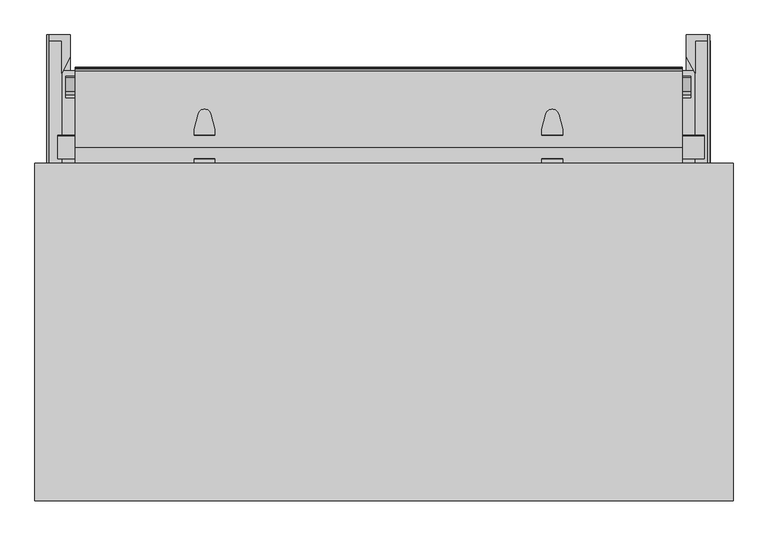
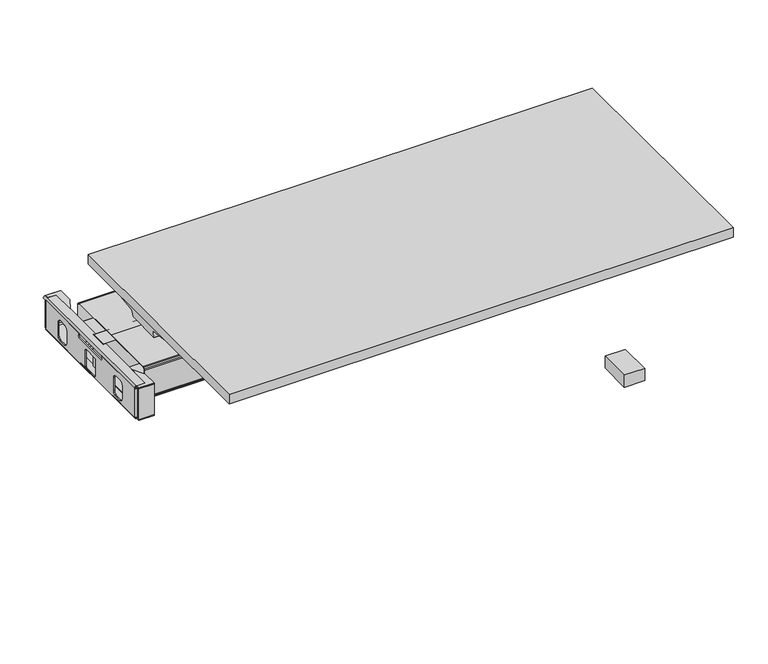
"""IFC4 building model written with IfcOpenShell, lengths in millimetres: furniture geometry."""

from ifc_helpers import new_model, si_unit, point, frame, frame_2d, origin, place, context, project, spatial, polyline, circle_curve, ellipse_curve, trimmed, segment, composite_curve, outline, extrude, faceted_brep, source, transform, mapped, element, save
from ifc_brep_helpers import plane_surface, cylinder_surface, revolved_surface, advanced_brep


def furniture_c11fd898(model_context):
    return source(origin(), model_context, "Body", "SolidModel", [
        extrude(outline(polyline([(-690.7147785, 557.0887375), (-690.7147785, 627.4425925), (-716.6329639, 627.4425925), (-716.6329639, 639.3704277), (-671.6647785, 639.3704277), (-671.6647785, 592.5319047), (-690.7147785, 557.0887375)])), frame((0.0, 0.0, 428.6948675), z_axis=(0.0, 0.0, 1.0), x_axis=(1.0, 0.0, 0.0)), (0.0, 0.0, 1.0), 2.6568509),
        extrude(outline(polyline([(-716.6329639, 158.9882127), (-716.6329639, 170.9160479), (-671.6647785, 170.9160479), (-671.6647785, 158.9882127), (-716.6329639, 158.9882127)])), frame((0.0, 0.0, 329.7517063), z_axis=(0.0, 0.0, 1.0), x_axis=(1.0, 0.0, 0.0)), (0.0, 0.0, 1.0), 2.6568509),
        extrude(outline(polyline([(-716.6329639, 158.9882127), (-716.6329639, 165.0842069), (-671.6647785, 165.0842069), (-671.6647785, 158.9882127), (-716.6329639, 158.9882127)])), frame((0.0, 0.0, 332.4085572), z_axis=(0.0, 0.0, 1.0), x_axis=(1.0, 0.0, 0.0)), (0.0, 0.0, 1.0), 96.2863103),
        extrude(outline(polyline([(-690.766129, 241.2699029), (-671.6647785, 205.8267357), (-671.6647785, 158.9882127), (-716.6329639, 158.9882127), (-716.6329639, 170.9160479), (-690.766129, 170.9160479), (-690.766129, 241.2699029)])), frame((0.0, 0.0, 428.6948675), z_axis=(0.0, 0.0, 1.0), x_axis=(1.0, 0.0, 0.0)), (0.0, 0.0, 1.0), 2.6568509),
        extrude(outline(composite_curve([segment(trimmed(circle_curve(frame_2d((-716.684237, 170.9160479)), 5.8318411), [point((-716.684237, 165.0842069))], [point((-722.5160781, 170.9160479))], False, "CARTESIAN"), True, "CONTINUOUS"), segment(polyline([(-722.5160781, 170.9160479), (-719.8593386, 170.9160479)]), True, "CONTINUOUS"), segment(trimmed(circle_curve(frame_2d((-716.6843029, 170.9160843)), 3.1750357), [point((-719.8593386, 170.9160479))], [point((-716.6144408, 167.7418174))], True, "CARTESIAN"), True, "CONTINUOUS"), segment(polyline([(-716.6144408, 167.7418174), (-671.6647785, 167.7418174), (-671.6647785, 165.0842069), (-716.684237, 165.0842069)]), True, "CONTINUOUS")], self_intersect=False)), frame((0.0, 0.0, 337.371699), z_axis=(0.0, 0.0, 1.0), x_axis=(1.0, 0.0, 0.0)), (0.0, 0.0, 1.0), 87.8941627),
        extrude(outline(polyline([(342.9173325, 425.2658616), (337.0354481, 421.6463878), (337.0354481, 416.1853839), (341.0613469, 412.1594669), (457.0505017, 412.1594669), (461.0764369, 416.1853839), (461.0764369, 421.6463878), (454.0472738, 425.9718869), (627.4425766, 425.9718869), (627.4425766, 333.9274688), (170.9160479, 333.9274688), (170.9160479, 425.2658616), (342.9173325, 425.2658616)]), holes=[polyline([(233.9635599, 355.1517184), (235.6650368, 348.8017063), (240.3135539, 344.1531891), (246.663566, 342.4517305), (265.713566, 342.4517305), (272.0635599, 344.1531891), (276.7120862, 348.8017063), (278.413563, 355.1517184), (278.413563, 393.2517184), (276.7120862, 399.6017305), (272.0635599, 404.2502476), (265.713566, 405.9517063), (246.663566, 405.9517063), (240.3135539, 404.2502476), (235.6650368, 399.6017305), (233.9635599, 393.2517184), (233.9635599, 355.1517184)]), polyline([(424.4559432, 341.1336423), (424.4559432, 392.426696), (423.9200452, 394.4267193), (422.4559432, 395.8908015), (420.4559432, 396.4267063), (377.6345424, 396.4267063), (375.6345441, 395.8908015), (374.1704415, 394.4267193), (373.6345435, 392.426696), (373.6345435, 341.1336423), (374.1704415, 339.1336554), (375.6345441, 337.6695369), (377.6345424, 337.1336321), (420.4559432, 337.1336321), (422.4559432, 337.6695369), (423.9200452, 339.1336554), (424.4559432, 341.1336423)]), polyline([(564.1483295, 355.1517184), (564.1483295, 393.2517184), (562.4468527, 399.6017305), (557.7983356, 404.2502476), (551.4483235, 405.9517063), (532.3983235, 405.9517063), (526.0483295, 404.2502476), (521.3998033, 399.6017305), (519.6983265, 393.2517184), (519.6983265, 355.1517184), (521.3998033, 348.8017063), (526.0483295, 344.1531891), (532.3983235, 342.4517305), (551.4483235, 342.4517305), (557.7983356, 344.1531891), (562.4468527, 348.8017063), (564.1483295, 355.1517184)])]), frame((-722.5160781, 0.0, 0.0), z_axis=(1.0, 0.0, 0.0), x_axis=(0.0, 1.0, 0.0)), (0.0, 0.0, 1.0), 2.6568146),
        extrude(outline(composite_curve([segment(trimmed(circle_curve(frame_2d((425.1720964, -716.3268352)), 6.1899531), [point((431.3517184, -716.6843144))], [point((425.2658616, -722.5160781))], False, "CARTESIAN"), True, "CONTINUOUS"), segment(polyline([(425.2658616, -722.5160781), (425.2658616, -719.8895529)]), True, "CONTINUOUS"), segment(trimmed(circle_curve(frame_2d((425.2452738, -716.4400206)), 3.4495937), [point((425.2658616, -719.8895529))], [point((428.6948675, -716.4400206))], True, "CARTESIAN"), True, "CONTINUOUS"), segment(polyline([(428.6948675, -716.4400206), (428.6948675, -690.766129), (431.3517184, -690.766129), (431.3517184, -716.6843144)]), True, "CONTINUOUS")], self_intersect=False)), frame((0.0, 170.9160479, 0.0), z_axis=(0.0, 1.0, 0.0), x_axis=(0.0, 0.0, 1.0)), (0.0, 0.0, 1.0), 468.4543798),
        extrude(outline(composite_curve([segment(polyline([(-716.6841619, 633.0328981), (-672.5648392, 633.0328981), (-672.5648392, 630.3752876), (-716.6143657, 630.3752876)]), True, "CONTINUOUS"), segment(trimmed(circle_curve(frame_2d((-716.6842278, 627.2010206)), 3.1750357), [point((-716.6143657, 630.3752876))], [point((-719.8592635, 627.2010571))], True, "CARTESIAN"), True, "CONTINUOUS"), segment(polyline([(-719.8592635, 627.2010571), (-722.5160029, 627.2010571)]), True, "CONTINUOUS"), segment(trimmed(circle_curve(frame_2d((-716.6841619, 627.2010571)), 5.8318411), [point((-722.5160029, 627.2010571))], [point((-716.6841619, 633.0328981))], False, "CARTESIAN"), True, "CONTINUOUS")], self_intersect=False)), frame((0.0, 0.0, 337.371699), z_axis=(0.0, 0.0, 1.0), x_axis=(1.0, 0.0, 0.0)), (0.0, 0.0, 1.0), 87.8941627),
        extrude(outline(composite_curve([segment(polyline([(335.5835451, -719.8592635), (335.5835451, -722.5160029)]), True, "CONTINUOUS"), segment(trimmed(circle_curve(frame_2d((335.5835451, -716.6841641)), 5.8318388), [point((335.5835451, -722.5160029))], [point((329.7517063, -716.6841641))], False, "CARTESIAN"), True, "CONTINUOUS"), segment(polyline([(329.7517063, -716.6841641), (329.7517063, -671.6647785), (332.4090868, -671.6647785), (332.4090868, -716.6263376)]), True, "CONTINUOUS"), segment(trimmed(circle_curve(frame_2d((335.5834916, -716.684329)), 3.1749345), [point((332.4090868, -716.6263376))], [point((335.5835451, -719.8592635))], True, "CARTESIAN"), True, "CONTINUOUS")], self_intersect=False)), frame((0.0, 170.9160479, 0.0), z_axis=(0.0, 1.0, 0.0), x_axis=(0.0, 0.0, 1.0)), (0.0, 0.0, 1.0), 456.2850092),
        extrude(outline(polyline([(683.813747, 562.6755316), (683.813747, 235.531324), (-694.0181082, 235.531324), (-694.0181082, 562.6755316), (683.813747, 562.6755316)])), frame((0.0, 0.0, 332.4090868), z_axis=(0.0, 0.0, 1.0), x_axis=(1.0, 0.0, 0.0)), (0.0, 0.0, 1.0), 1.518382),
        extrude(outline(polyline([(692.4505912, 639.3704277), (692.4505912, 633.2744336), (647.4824058, 633.2744336), (647.4824058, 639.3704277), (692.4505912, 639.3704277)])), frame((0.0, 0.0, 332.4085572), z_axis=(0.0, 0.0, 1.0), x_axis=(1.0, 0.0, 0.0)), (0.0, 0.0, 1.0), 96.2863103),
        extrude(outline(polyline([(692.4505912, 639.3704277), (692.4505912, 627.2010571), (647.4824058, 627.2010571), (647.4824058, 639.3704277), (692.4505912, 639.3704277)])), frame((0.0, 0.0, 329.7517063), z_axis=(0.0, 0.0, 1.0), x_axis=(1.0, 0.0, 0.0)), (0.0, 0.0, 1.0), 2.6568509),
        extrude(outline(polyline([(666.5324058, 557.0887375), (647.4824058, 592.5319047), (647.4824058, 639.3704277), (692.4505912, 639.3704277), (692.4505912, 627.4425925), (666.5324058, 627.4425925), (666.5324058, 557.0887375)])), frame((0.0, 0.0, 428.6948675), z_axis=(0.0, 0.0, 1.0), x_axis=(1.0, 0.0, 0.0)), (0.0, 0.0, 1.0), 2.6568509),
        extrude(outline(polyline([(692.4505912, 170.9160479), (692.4505912, 158.9882127), (647.4824058, 158.9882127), (647.4824058, 170.9160479), (692.4505912, 170.9160479)])), frame((0.0, 0.0, 329.7517063), z_axis=(0.0, 0.0, 1.0), x_axis=(1.0, 0.0, 0.0)), (0.0, 0.0, 1.0), 2.6568509),
        extrude(outline(polyline([(692.4505912, 165.0842069), (692.4505912, 158.9882127), (647.4824058, 158.9882127), (647.4824058, 165.0842069), (692.4505912, 165.0842069)])), frame((0.0, 0.0, 332.4085572), z_axis=(0.0, 0.0, 1.0), x_axis=(1.0, 0.0, 0.0)), (0.0, 0.0, 1.0), 96.2863103),
        extrude(outline(polyline([(666.5324058, 241.2699029), (666.5324058, 170.9160479), (692.4505912, 170.9160479), (692.4505912, 158.9882127), (647.4824058, 158.9882127), (647.4824058, 205.8267357), (666.5324058, 241.2699029)])), frame((0.0, 0.0, 428.6948675), z_axis=(0.0, 0.0, 1.0), x_axis=(1.0, 0.0, 0.0)), (0.0, 0.0, 1.0), 2.6568509),
        extrude(outline(composite_curve([segment(polyline([(692.5018643, 165.0842069), (647.4824058, 165.0842069), (647.4824058, 167.7418174), (692.4320682, 167.7418174)]), True, "CONTINUOUS"), segment(trimmed(circle_curve(frame_2d((692.5019303, 170.9160843)), 3.1750357), [point((692.4320682, 167.7418174))], [point((695.676966, 170.9160479))], True, "CARTESIAN"), True, "CONTINUOUS"), segment(polyline([(695.676966, 170.9160479), (698.3337054, 170.9160479)]), True, "CONTINUOUS"), segment(trimmed(circle_curve(frame_2d((692.5018643, 170.9160479)), 5.8318411), [point((698.3337054, 170.9160479))], [point((692.5018643, 165.0842069))], False, "CARTESIAN"), True, "CONTINUOUS")], self_intersect=False)), frame((0.0, 0.0, 337.371699), z_axis=(0.0, 0.0, 1.0), x_axis=(1.0, 0.0, 0.0)), (0.0, 0.0, 1.0), 87.8941627),
        extrude(outline(polyline([(342.9173325, 425.2658616), (337.0354481, 421.6463878), (337.0354481, 416.1853839), (341.0613469, 412.1594669), (457.0505017, 412.1594669), (461.0764369, 416.1853839), (461.0764369, 421.6463878), (454.0472738, 425.9718869), (627.4425766, 425.9718869), (627.4425766, 333.9274688), (170.9160479, 333.9274688), (170.9160479, 425.2658616), (342.9173325, 425.2658616)]), holes=[polyline([(233.9635599, 355.1517184), (235.6650368, 348.8017063), (240.3135539, 344.1531891), (246.663566, 342.4517305), (265.713566, 342.4517305), (272.0635599, 344.1531891), (276.7120862, 348.8017063), (278.413563, 355.1517184), (278.413563, 393.2517184), (276.7120862, 399.6017305), (272.0635599, 404.2502476), (265.713566, 405.9517063), (246.663566, 405.9517063), (240.3135539, 404.2502476), (235.6650368, 399.6017305), (233.9635599, 393.2517184), (233.9635599, 355.1517184)]), polyline([(424.4559432, 341.1336423), (424.4559432, 392.426696), (423.9200452, 394.4267193), (422.4559432, 395.8908015), (420.4559432, 396.4267063), (377.6345424, 396.4267063), (375.6345441, 395.8908015), (374.1704415, 394.4267193), (373.6345435, 392.426696), (373.6345435, 341.1336423), (374.1704415, 339.1336554), (375.6345441, 337.6695369), (377.6345424, 337.1336321), (420.4559432, 337.1336321), (422.4559432, 337.6695369), (423.9200452, 339.1336554), (424.4559432, 341.1336423)]), polyline([(564.1483295, 355.1517184), (564.1483295, 393.2517184), (562.4468527, 399.6017305), (557.7983356, 404.2502476), (551.4483235, 405.9517063), (532.3983235, 405.9517063), (526.0483295, 404.2502476), (521.3998033, 399.6017305), (519.6983265, 393.2517184), (519.6983265, 355.1517184), (521.3998033, 348.8017063), (526.0483295, 344.1531891), (532.3983235, 342.4517305), (551.4483235, 342.4517305), (557.7983356, 344.1531891), (562.4468527, 348.8017063), (564.1483295, 355.1517184)])]), frame((692.4505912, 0.0, 0.0), z_axis=(1.0, 0.0, 0.0), x_axis=(0.0, 1.0, 0.0)), (0.0, 0.0, 1.0), 3.2262996),
        faceted_brep([(638.3400259, 227.963817, 425.8310036), (638.3400259, 227.963817, 340.2751793), (638.3400259, 227.963817, 338.091367), (638.3400259, 228.9762009, 334.3130557), (638.3400259, 231.7467258, 331.542549), (638.3400259, 235.531324, 330.5284757), (638.3400259, 398.8377457, 330.5284757), (638.3400259, 562.8273164, 330.5284757), (638.3400259, 566.6119146, 331.542549), (638.3400259, 569.3824396, 334.3130557), (638.3400259, 570.3948234, 338.091367), (638.3400259, 570.3948234, 340.2751793), (638.3400259, 570.3948234, 425.8310036), (638.3400259, 569.4215919, 429.4631947), (638.3400259, 566.6102252, 432.3861267), (638.3400259, 562.825627, 433.4002), (638.3400259, 397.785447, 433.4002), (638.3400259, 235.5330134, 433.4002), (638.3400259, 231.7484152, 432.3861267), (638.3400259, 228.9370485, 429.4631947), (638.3400259, 235.5330134, 432.1810157), (638.3400259, 396.9389352, 432.1810157), (638.3400259, 562.825627, 432.1810157), (638.3400259, 566.000633, 431.3302682), (638.3400259, 568.3248916, 429.0059915), (638.3400259, 569.1756391, 425.8310036), (638.3400259, 569.1756391, 340.2751793), (638.3400259, 569.1756391, 338.0914349), (638.3400259, 568.326581, 334.9226842), (638.3400259, 566.0023225, 332.5984075), (638.3400259, 562.8273164, 331.74766), (638.3400259, 397.7786116, 331.74766), (638.3400259, 235.531324, 331.74766), (638.3400259, 232.3563179, 332.5984075), (638.3400259, 230.0320594, 334.9226842), (638.3400259, 229.1830013, 338.0914349), (638.3400259, 229.1830013, 340.2751793), (638.3400259, 229.1830013, 425.8310036), (638.3400259, 230.0337488, 429.0059915), (638.3400259, 232.3580074, 431.3302682), (-660.9408985, 227.963817, 425.8310036), (-660.9408985, 228.9370485, 429.4631947), (-660.9408985, 231.7484152, 432.3861267), (-660.9408985, 235.5330134, 433.4002), (-660.9408985, 397.785447, 433.4002), (-660.9408985, 562.825627, 433.4002), (-660.9408985, 566.6102252, 432.3861267), (-660.9408985, 569.4215919, 429.4631947), (-660.9408985, 570.3948234, 425.8310036), (-660.9408985, 570.3948234, 340.2751793), (-660.9408985, 570.3948234, 338.091367), (-660.9408985, 569.3824396, 334.3130557), (-660.9408985, 566.6119146, 331.542549), (-660.9408985, 562.8273164, 330.5284757), (-660.9408985, 398.8377457, 330.5284757), (-660.9408985, 235.531324, 330.5284757), (-660.9408985, 231.7467258, 331.542549), (-660.9408985, 228.9762009, 334.3130557), (-660.9408985, 227.963817, 338.091367), (-660.9408985, 227.963817, 340.2751793), (-660.9408985, 235.5330134, 432.1810157), (-660.9408985, 232.3580074, 431.3302682), (-660.9408985, 230.0337488, 429.0059915), (-660.9408985, 229.1830013, 425.8310036), (-660.9408985, 229.1830013, 340.2751793), (-660.9408985, 229.1830013, 338.0914349), (-660.9408985, 230.0320594, 334.9226842), (-660.9408985, 232.3563179, 332.5984075), (-660.9408985, 235.531324, 331.74766), (-660.9408985, 397.7786116, 331.74766), (-660.9408985, 562.8273164, 331.74766), (-660.9408985, 566.0023225, 332.5984075), (-660.9408985, 568.326581, 334.9226842), (-660.9408985, 569.1756391, 338.0914349), (-660.9408985, 569.1756391, 340.2751793), (-660.9408985, 569.1756391, 425.8310036), (-660.9408985, 568.3248916, 429.0059915), (-660.9408985, 566.000633, 431.3302682), (-660.9408985, 562.825627, 432.1810157), (-660.9408985, 396.9389352, 432.1810157), (-406.7047758, 360.9565261, 432.1810157), (-398.0451218, 328.5218157, 432.1810157), (-395.6303984, 323.3434246, 432.1810157), (-391.1899754, 319.7476409, 432.1810157), (-385.6226676, 318.4623267, 432.1810157), (-383.336917, 318.4623267, 432.1810157), (-377.7696093, 319.7476409, 432.1810157), (-373.3291863, 323.3434246, 432.1810157), (-370.9144421, 328.5218604, 432.1810157), (-362.2548, 360.9565261, 432.1810157), (-362.2548, 373.6565253, 432.1810157), (-406.7047758, 373.6565253, 432.1810157), (382.4587307, 360.9565261, 432.1810157), (382.4587307, 373.6565253, 432.1810157), (338.0087549, 373.6565253, 432.1810157), (338.0087549, 360.9565261, 432.1810157), (346.668397, 328.5218604, 432.1810157), (349.0831412, 323.3434246, 432.1810157), (353.5235642, 319.7476409, 432.1810157), (359.090872, 318.4623267, 432.1810157), (361.3766226, 318.4623267, 432.1810157), (366.9439303, 319.7476409, 432.1810157), (371.3843533, 323.3434246, 432.1810157), (373.7990767, 328.5218157, 432.1810157), (-398.0451218, 328.5218157, 433.4002), (-406.7047758, 360.9565261, 433.4002), (-406.7047758, 373.6565253, 433.4002), (-362.2548, 373.6565253, 433.4002), (-362.2548, 360.9565261, 433.4002), (-370.9144421, 328.5218604, 433.4002), (-373.3291863, 323.3434246, 433.4002), (-377.7696093, 319.7476409, 433.4002), (-383.336917, 318.4623267, 433.4002), (-385.6226676, 318.4623267, 433.4002), (-391.1899754, 319.7476409, 433.4002), (-395.6303984, 323.3434246, 433.4002), (382.4587307, 373.6565253, 433.4002), (382.4587307, 360.9565261, 433.4002), (373.7990767, 328.5218157, 433.4002), (371.3843533, 323.3434246, 433.4002), (366.9439303, 319.7476409, 433.4002), (361.3766226, 318.4623267, 433.4002), (359.090872, 318.4623267, 433.4002), (353.5235642, 319.7476409, 433.4002), (349.0831412, 323.3434246, 433.4002), (346.668397, 328.5218604, 433.4002), (338.0087549, 360.9565261, 433.4002), (338.0087549, 373.6565253, 433.4002), (-406.7047758, 424.7021151, 433.4002), (-406.7047758, 437.4021143, 433.4002), (-398.0451218, 469.8368247, 433.4002), (-395.6303984, 475.0152158, 433.4002), (-391.1899754, 478.6109995, 433.4002), (-385.6226676, 479.8963137, 433.4002), (-383.336917, 479.8963137, 433.4002), (-377.7696093, 478.6109995, 433.4002), (-373.3291863, 475.0152158, 433.4002), (-370.9144421, 469.83678, 433.4002), (-362.2548, 437.4021143, 433.4002), (-362.2548, 424.7021151, 433.4002), (373.7990767, 469.8368247, 433.4002), (382.4587307, 437.4021143, 433.4002), (382.4587307, 424.7021151, 433.4002), (338.0087549, 424.7021151, 433.4002), (338.0087549, 437.4021143, 433.4002), (346.668397, 469.83678, 433.4002), (349.0831412, 475.0152158, 433.4002), (353.5235642, 478.6109995, 433.4002), (359.090872, 479.8963137, 433.4002), (361.3766226, 479.8963137, 433.4002), (366.9439303, 478.6109995, 433.4002), (371.3843533, 475.0152158, 433.4002), (-406.7047758, 437.4021143, 432.1810157), (-406.7047758, 424.7021151, 432.1810157), (-362.2548, 424.7021151, 432.1810157), (-362.2548, 437.4021143, 432.1810157), (-370.9144421, 469.83678, 432.1810157), (-373.3291863, 475.0152158, 432.1810157), (-377.7696093, 478.6109995, 432.1810157), (-383.336917, 479.8963137, 432.1810157), (-385.6226676, 479.8963137, 432.1810157), (-391.1899754, 478.6109995, 432.1810157), (-395.6303984, 475.0152158, 432.1810157), (-398.0451218, 469.8368247, 432.1810157), (382.4587307, 437.4021143, 432.1810157), (373.7990767, 469.8368247, 432.1810157), (371.3843533, 475.0152158, 432.1810157), (366.9439303, 478.6109995, 432.1810157), (361.3766226, 479.8963137, 432.1810157), (359.090872, 479.8963137, 432.1810157), (353.5235642, 478.6109995, 432.1810157), (349.0831412, 475.0152158, 432.1810157), (346.668397, 469.83678, 432.1810157), (338.0087549, 437.4021143, 432.1810157), (338.0087549, 424.7021151, 432.1810157), (382.4587307, 424.7021151, 432.1810157)], [[[0, 1, 2, 3, 4, 5, 6, 7, 8, 9, 10, 11, 12, 13, 14, 15, 16, 17, 18, 19], [20, 21, 22, 23, 24, 25, 26, 27, 28, 29, 30, 31, 32, 33, 34, 35, 36, 37, 38, 39]], [[40, 41, 42, 43, 44, 45, 46, 47, 48, 49, 50, 51, 52, 53, 54, 55, 56, 57, 58, 59], [60, 61, 62, 63, 64, 65, 66, 67, 68, 69, 70, 71, 72, 73, 74, 75, 76, 77, 78, 79]], [[37, 36, 64, 63]], [[38, 37, 63, 62]], [[39, 38, 62, 61]], [[20, 39, 61, 60]], [[21, 20, 60, 79], [80, 81, 82, 83, 84, 85, 86, 87, 88, 89, 90, 91], [92, 93, 94, 95, 96, 97, 98, 99, 100, 101, 102, 103]], [[17, 16, 44, 43], [104, 105, 106, 107, 108, 109, 110, 111, 112, 113, 114, 115], [116, 117, 118, 119, 120, 121, 122, 123, 124, 125, 126, 127]], [[18, 17, 43, 42]], [[19, 18, 42, 41]], [[0, 19, 41, 40]], [[1, 0, 40, 59]], [[2, 1, 59, 58]], [[3, 2, 58, 57]], [[4, 3, 57, 56]], [[5, 4, 56, 55]], [[6, 5, 55, 54]], [[7, 6, 54, 53]], [[8, 7, 53, 52]], [[9, 8, 52, 51]], [[10, 9, 51, 50]], [[11, 10, 50, 49]], [[12, 11, 49, 48]], [[13, 12, 48, 47]], [[14, 13, 47, 46]], [[15, 14, 46, 45]], [[16, 15, 45, 44], [128, 129, 130, 131, 132, 133, 134, 135, 136, 137, 138, 139], [140, 141, 142, 143, 144, 145, 146, 147, 148, 149, 150, 151]], [[22, 21, 79, 78], [152, 153, 154, 155, 156, 157, 158, 159, 160, 161, 162, 163], [164, 165, 166, 167, 168, 169, 170, 171, 172, 173, 174, 175]], [[23, 22, 78, 77]], [[24, 23, 77, 76]], [[25, 24, 76, 75]], [[26, 25, 75, 74]], [[27, 26, 74, 73]], [[28, 27, 73, 72]], [[29, 28, 72, 71]], [[30, 29, 71, 70]], [[31, 30, 70, 69]], [[32, 31, 69, 68]], [[33, 32, 68, 67]], [[34, 33, 67, 66]], [[35, 34, 66, 65]], [[36, 35, 65, 64]], [[80, 105, 104, 81]], [[81, 104, 115, 82]], [[82, 115, 114, 83]], [[83, 114, 113, 84]], [[84, 113, 112, 85]], [[85, 112, 111, 86]], [[86, 111, 110, 87]], [[87, 110, 109, 88]], [[88, 109, 108, 89]], [[89, 108, 107, 90]], [[90, 107, 106, 91]], [[105, 80, 91, 106]], [[92, 117, 116, 93]], [[93, 116, 127, 94]], [[94, 127, 126, 95]], [[95, 126, 125, 96]], [[96, 125, 124, 97]], [[97, 124, 123, 98]], [[98, 123, 122, 99]], [[99, 122, 121, 100]], [[100, 121, 120, 101]], [[101, 120, 119, 102]], [[102, 119, 118, 103]], [[117, 92, 103, 118]], [[152, 129, 128, 153]], [[153, 128, 139, 154]], [[154, 139, 138, 155]], [[155, 138, 137, 156]], [[156, 137, 136, 157]], [[157, 136, 135, 158]], [[158, 135, 134, 159]], [[159, 134, 133, 160]], [[160, 133, 132, 161]], [[161, 132, 131, 162]], [[162, 131, 130, 163]], [[129, 152, 163, 130]], [[164, 141, 140, 165]], [[165, 140, 151, 166]], [[166, 151, 150, 167]], [[167, 150, 149, 168]], [[168, 149, 148, 169]], [[169, 148, 147, 170]], [[170, 147, 146, 171]], [[171, 146, 145, 172]], [[172, 145, 144, 173]], [[173, 144, 143, 174]], [[174, 143, 142, 175]], [[141, 164, 175, 142]]]),
        extrude(outline(composite_curve([segment(trimmed(circle_curve(frame_2d((422.8428694, 431.8444538)), 1.5557462), [point((422.8428694, 433.4002))], [point((424.3986156, 431.8444538))], False, "CARTESIAN"), True, "CONTINUOUS"), segment(polyline([(424.3986156, 431.8444538), (424.3986156, 333.9274688), (374.3606156, 333.9274688), (374.3606156, 433.4002), (422.8428694, 433.4002)]), True, "CONTINUOUS")], self_intersect=False)), frame((-698.3783882, 0.0, 0.0), z_axis=(1.0, 0.0, 0.0), x_axis=(0.0, 1.0, 0.0)), (0.0, 0.0, 1.0), 1384.4789923),
        extrude(outline(composite_curve([segment(polyline([(431.3517184, 692.4505912), (431.3517184, 666.5324058), (428.6948675, 666.5324058), (428.6948675, 692.2062975)]), True, "CONTINUOUS"), segment(trimmed(circle_curve(frame_2d((425.2452738, 692.2062975)), 3.4495937), [point((428.6948675, 692.2062975))], [point((425.2658616, 695.6558297))], True, "CARTESIAN"), True, "CONTINUOUS"), segment(polyline([(425.2658616, 695.6558297), (425.2658616, 698.2823549)]), True, "CONTINUOUS"), segment(trimmed(circle_curve(frame_2d((425.1720964, 692.093112)), 6.1899531), [point((425.2658616, 698.2823549))], [point((431.3517184, 692.4505912))], False, "CARTESIAN"), True, "CONTINUOUS")], self_intersect=False)), frame((0.0, 170.9160479, 0.0), z_axis=(0.0, 1.0, 0.0), x_axis=(0.0, 0.0, 1.0)), (0.0, 0.0, 1.0), 468.4543798),
        extrude(outline(composite_curve([segment(trimmed(circle_curve(frame_2d((691.6017284, 627.2010571)), 5.8318411), [point((691.6017284, 633.0328981))], [point((697.4335695, 627.2010571))], False, "CARTESIAN"), True, "CONTINUOUS"), segment(polyline([(697.4335695, 627.2010571), (694.7768301, 627.2010571)]), True, "CONTINUOUS"), segment(trimmed(circle_curve(frame_2d((691.6017944, 627.2010206)), 3.1750357), [point((694.7768301, 627.2010571))], [point((691.5319323, 630.3752876))], True, "CARTESIAN"), True, "CONTINUOUS"), segment(polyline([(691.5319323, 630.3752876), (647.4824058, 630.3752876), (647.4824058, 633.0328981), (691.6017284, 633.0328981)]), True, "CONTINUOUS")], self_intersect=False)), frame((0.0, 0.0, 337.371699), z_axis=(0.0, 0.0, 1.0), x_axis=(1.0, 0.0, 0.0)), (0.0, 0.0, 1.0), 87.8941627),
        extrude(outline(composite_curve([segment(trimmed(circle_curve(frame_2d((335.5834916, 692.5019564)), 3.1749345), [point((335.5835451, 695.6768908))], [point((332.4090868, 692.443965))], True, "CARTESIAN"), True, "CONTINUOUS"), segment(polyline([(332.4090868, 692.443965), (332.4090868, 647.4824058), (329.7517063, 647.4824058), (329.7517063, 692.5017915)]), True, "CONTINUOUS"), segment(trimmed(circle_curve(frame_2d((335.5835451, 692.5017915)), 5.8318388), [point((329.7517063, 692.5017915))], [point((335.5835451, 698.3336303))], False, "CARTESIAN"), True, "CONTINUOUS"), segment(polyline([(335.5835451, 698.3336303), (335.5835451, 695.6768908)]), True, "CONTINUOUS")], self_intersect=False)), frame((0.0, 170.9160479, 0.0), z_axis=(0.0, 1.0, 0.0), x_axis=(0.0, 0.0, 1.0)), (0.0, 0.0, 1.0), 456.2850092),
        extrude(outline(polyline([(247.9512827, 383.2085327), (249.1812376, 384.0998213), (279.7035642, 341.9798116), (286.6253346, 336.0569173), (295.8489895, 333.9274688), (417.8747239, 333.9274688), (502.5096509, 333.9274688), (511.7333058, 336.0569173), (518.6550762, 341.9798116), (549.1774028, 384.0998213), (550.4073577, 383.2085327), (519.8850248, 341.0885143), (512.423716, 334.7039476), (502.7693005, 332.4750501), (402.1125576, 332.4750501), (295.5893399, 332.4750501), (285.9349244, 334.7039476), (278.4736156, 341.0885143), (247.9512827, 383.2085327)])), frame((-681.3524342, 0.0, 0.0), z_axis=(1.0, 0.0, 0.0), x_axis=(0.0, 1.0, 0.0)), (0.0, 0.0, 1.0), 1338.4018538),
        advanced_brep(
        [(696.976, 127.2221653, 10.2361894), (696.976, 141.2419153, 10.2361894), (696.976, 140.8547401, 8.7946116), (696.976, 127.6093405, 8.7946116), (696.976, 134.2320403, 10.2361894), (696.976, 113.2751519, 0.0), (696.976, 155.1889286, 0.0), (696.976, 134.2320403, 0.0), (696.976, 111.7314216, 1.5436985), (696.976, 156.732659, 1.5436985), (696.976, 111.7314763, 4.1072626), (696.976, 156.7326043, 4.1072626), (696.976, 113.2713167, 5.9174378), (696.976, 155.1927639, 5.9174378)],
        [
            (0, 1, circle_curve(frame((696.976, 134.2320403, 10.2361894), z_axis=(0.0, 0.0, -1.0), x_axis=(0.0, 1.0, 0.0)), 7.009875)),
            (1, 2),
            (2, 3, circle_curve(frame((696.976, 134.2320403, 8.7946116), z_axis=(0.0, 0.0, 1.0), x_axis=(0.0, 1.0, 0.0)), 6.6226998)),
            (3, 0),
            (1, 0, circle_curve(frame((696.976, 134.2320403, 10.2361894), z_axis=(0.0, 0.0, -1.0), x_axis=(0.0, 1.0, 0.0)), 7.009875)),
            (3, 2, circle_curve(frame((696.976, 134.2320403, 8.7946116), z_axis=(0.0, 0.0, 1.0), x_axis=(0.0, 1.0, 0.0)), 6.6226998)),
            (4, 1),
            (0, 4),
            (5, 6, circle_curve(frame((696.976, 134.2320403, 0.0), z_axis=(0.0, 0.0, -1.0), x_axis=(0.0, 1.0, 0.0)), 20.9568884)),
            (6, 7),
            (7, 5),
            (6, 5, circle_curve(frame((696.976, 134.2320403, 0.0), z_axis=(0.0, 0.0, -1.0), x_axis=(0.0, 1.0, 0.0)), 20.9568884)),
            (8, 9, circle_curve(frame((696.976, 134.2320403, 1.5436985), z_axis=(0.0, 0.0, -1.0), x_axis=(0.0, 1.0, 0.0)), 22.5006187)),
            (9, 6),
            (5, 8),
            (9, 8, circle_curve(frame((696.976, 134.2320403, 1.5436985), z_axis=(0.0, 0.0, -1.0), x_axis=(0.0, 1.0, 0.0)), 22.5006187)),
            (10, 11, circle_curve(frame((696.976, 134.2320403, 4.1072626), z_axis=(0.0, 0.0, -1.0), x_axis=(0.0, 1.0, 0.0)), 22.500564)),
            (11, 9),
            (8, 10),
            (11, 10, circle_curve(frame((696.976, 134.2320403, 4.1072626), z_axis=(0.0, 0.0, -1.0), x_axis=(0.0, 1.0, 0.0)), 22.500564)),
            (12, 13, circle_curve(frame((696.976, 134.2320403, 5.9174378), z_axis=(0.0, 0.0, -1.0), x_axis=(0.0, 1.0, 0.0)), 20.9607236)),
            (13, 11),
            (10, 12),
            (13, 12, circle_curve(frame((696.976, 134.2320403, 5.9174378), z_axis=(0.0, 0.0, -1.0), x_axis=(0.0, 1.0, 0.0)), 20.9607236)),
            (2, 13),
            (12, 3),
        ],
        [
            revolved_surface(polyline([(696.976, 140.8547401, 8.7946116), (696.976, 141.2419153, 10.2361894)]), (696.976, 134.2320403, 0.0), (0.0, 0.0, 1.0)),
            plane_surface(frame((696.976, 134.2320403, 10.2361894), z_axis=(0.0, 0.0, 1.0), x_axis=(0.0, 1.0, 0.0))),
            plane_surface(frame((696.976, 134.2320403, 0.0), z_axis=(0.0, 0.0, -1.0), x_axis=(0.0, 1.0, 0.0))),
            revolved_surface(polyline([(696.976, 155.1889286, 0.0), (696.976, 156.732659, 1.5436985)]), (696.976, 134.2320403, 0.0), (0.0, 0.0, 1.0)),
            cylinder_surface(frame((696.976, 134.2320403, 0.0), z_axis=(0.0, 0.0, 1.0), x_axis=(0.0, 1.0, 0.0)), 22.500564),
            revolved_surface(polyline([(696.976, 156.7327498, 4.1072626), (696.976, 155.1927639, 5.9174378)]), (696.976, 134.2320403, 0.0), (0.0, 0.0, 1.0)),
            revolved_surface(polyline([(696.976, 155.1927639, 5.9174378), (696.976, 140.8547401, 8.7946116)]), (696.976, 134.2320403, 0.0), (0.0, 0.0, 1.0)),
        ],
        [
            (0, [[1, 2, 3, 4]]),
            (0, [[5, -4, 6, -2]]),
            (1, [[7, -1, 8]]),
            (1, [[-8, -5, -7]]),
            (2, [[9, 10, 11]]),
            (2, [[12, -11, -10]]),
            (3, [[13, 14, -9, 15]]),
            (3, [[16, -15, -12, -14]]),
            (4, [[17, 18, -13, 19]]),
            (4, [[20, -19, -16, -18]]),
            (5, [[21, 22, -17, 23]]),
            (5, [[24, -23, -20, -22]]),
            (6, [[-3, 25, -21, 26]]),
            (6, [[-6, -26, -24, -25]]),
        ],
    ),
        extrude(outline(polyline([(667.0675, 59.6052169), (667.0675, 158.9882127), (726.8845, 158.9882127), (726.8845, 59.6052169), (667.0675, 59.6052169)])), frame((0.0, 0.0, 10.2361894), z_axis=(0.0, 0.0, 1.0), x_axis=(1.0, 0.0, 0.0)), (0.0, 0.0, 1.0), 37.8638679),
        faceted_brep([(-551.2773962, 55.272954, 622.0870648), (-551.2773962, 50.1740464, 622.688627), (-551.2773962, 45.3456348, 624.4650084), (-551.2773962, 41.0496397, 627.3308218), (-551.2773962, 37.5298328, 631.1414904), (-551.2773962, 12.4262052, 665.7838526), (-551.2773962, 13.1647048, 666.3190068), (-551.2773962, 38.2683233, 631.6766321), (-551.2773962, 41.6416276, 628.0245295), (-551.2773962, 45.7588181, 625.2780401), (-551.2773962, 50.386261, 623.5755641), (-551.2773962, 55.272954, 622.9990731), (-551.2773962, 204.7515752, 622.9990731), (-551.2773962, 209.6382319, 623.5755641), (-551.2773962, 214.2656929, 625.2780401), (-551.2773962, 218.3829016, 628.0245295), (-551.2773962, 221.756215, 631.6766321), (-551.2773962, 246.9223387, 666.4052536), (-551.2773962, 269.6159703, 703.1651011), (-551.2773962, 270.6848248, 703.1651011), (-551.2773962, 247.6608202, 665.8701118), (-551.2773962, 222.4946964, 631.1414904), (-551.2773962, 218.9748804, 627.3308218), (-551.2773962, 214.6788853, 624.4650084), (-551.2773962, 209.8504555, 622.6885906), (-551.2773962, 204.7515752, 622.0870648), (551.4619573, 55.272954, 622.0870648), (551.4619573, 204.7515752, 622.0870648), (551.4619573, 209.8504555, 622.6885906), (551.4619573, 214.6788853, 624.4650084), (551.4619573, 218.9748804, 627.3308218), (551.4619573, 222.4946964, 631.1414904), (551.4619573, 247.6608202, 665.8701118), (551.4619573, 271.4411354, 704.390196), (551.4619573, 270.3722807, 704.390196), (551.4619573, 246.9223387, 666.4052536), (551.4619573, 221.756215, 631.6766321), (551.4619573, 218.3829016, 628.0245295), (551.4619573, 214.2656929, 625.2780401), (551.4619573, 209.6382319, 623.5755641), (551.4619573, 204.7515752, 622.9990731), (551.4619573, 55.272954, 622.9990731), (551.4619573, 50.386261, 623.5755641), (551.4619573, 45.7588181, 625.2780401), (551.4619573, 41.6416276, 628.0245295), (551.4619573, 38.2683233, 631.6766321), (551.4619573, 13.1647048, 666.3190068), (551.4619573, 12.4262052, 665.7838526), (551.4619573, 37.5298328, 631.1414904), (551.4619573, 41.0496397, 627.3308218), (551.4619573, 45.3456348, 624.4650084), (551.4619573, 50.1740464, 622.688627), (482.0287306, 246.9854259, 666.4923122), (481.1019992, 246.9223387, 666.4052536), (477.6673689, 246.6885267, 666.0825989), (97.8762341, 246.6885267, 666.0825989), (84.3911169, 246.0969944, 665.266299), (80.6274527, 244.9165407, 663.6373024), (76.7784871, 243.0630012, 661.0794643), (66.2573996, 227.6864037, 639.8601442), (62.408434, 225.8328643, 637.3023062), (58.0170596, 224.4555851, 635.4016954), (53.2522341, 223.6074373, 634.2312727), (48.2969407, 223.3210703, 633.8360933), (-54.4117723, 223.3210703, 633.8360933), (-59.3670657, 223.6074373, 634.2312727), (-64.1319638, 224.4555851, 635.4016954), (-68.5232656, 225.8328643, 637.3023062), (-72.3723039, 227.6864037, 639.8601442), (-82.8933187, 243.0630012, 661.0794643), (-86.742357, 244.9165407, 663.6373024), (-92.3919689, 246.6885267, 666.0825989), (-480.5231429, 246.6885267, 666.0825989), (-483.9577733, 246.9223387, 666.4052536), (-484.8845046, 246.9854259, 666.4923122), (-489.0142671, 247.7214779, 667.699724), (-492.6928943, 248.9196708, 669.6405939), (-495.725122, 250.5070924, 672.2119486), (-515.9901641, 267.8415142, 700.2907822), (-518.011625, 268.8997803, 702.0049944), (-520.4640916, 269.6986055, 703.2989561), (-523.2172666, 270.1955495, 704.1039215), (-526.1248653, 270.3641435, 704.3770153), (523.2690912, 266.4439815, 698.0270153), (520.3614926, 266.2753875, 697.7539215), (517.6083176, 269.6986055, 703.2989561), (515.155851, 268.8997803, 702.0049944), (513.1343901, 267.8415142, 700.2907822), (492.869348, 254.4272545, 678.5619486), (489.8371203, 248.9196708, 669.6405939), (486.1584931, 247.7214779, 667.699724), (-526.1248653, 271.4329982, 704.3770153), (-523.2172666, 271.2644042, 704.1039215), (-520.4640916, 270.76746, 703.2989561), (-518.011625, 269.9686348, 702.0049944), (-515.9901641, 268.9103685, 700.2907822), (-495.725122, 251.5759434, 672.2119486), (-492.6928943, 249.9885215, 669.6405939), (-489.0142671, 248.7903285, 667.699724), (-484.8845046, 248.0449347, 666.4923122), (-480.5231429, 247.7919987, 666.0825989), (-92.3919689, 247.7919987, 666.0825989), (-91.9010389, 247.6608202, 665.8701118), (94.365989, 247.6608202, 665.8701118), (97.8762341, 247.7919987, 666.0825989), (477.6673689, 247.7919987, 666.0825989), (482.0287306, 248.0449347, 666.4923122), (486.1584931, 248.7903285, 667.699724), (489.8371203, 249.9885215, 669.6405939), (492.869348, 255.4961062, 678.5619486), (513.1343901, 268.9103685, 700.2907822), (515.155851, 269.9686348, 702.0049944), (517.6083176, 270.76746, 703.2989561), (520.3614926, 267.3442414, 697.7539215), (523.2690912, 267.5128354, 698.0270153), (-86.742357, 246.042813, 663.6373024), (-82.8933187, 244.1892736, 661.0794643), (-72.3723039, 228.812676, 639.8601442), (-68.5232656, 226.9591366, 637.3023062), (-64.1319638, 225.5818575, 635.4016954), (-59.3670657, 224.7337097, 634.2312727), (-54.4117723, 224.4473427, 633.8360933), (48.2969407, 224.4473427, 633.8360933), (53.2522341, 224.7337097, 634.2312727), (58.0170596, 225.5818575, 635.4016954), (62.408434, 226.9591366, 637.3023062), (66.2573996, 228.812676, 639.8601442), (76.7784871, 244.1892736, 661.0794643), (80.6274527, 246.042813, 663.6373024), (84.3911169, 247.2232667, 665.266299)], [[[0, 1, 2, 3, 4, 5, 6, 7, 8, 9, 10, 11, 12, 13, 14, 15, 16, 17, 18, 19, 20, 21, 22, 23, 24, 25]], [[26, 27, 28, 29, 30, 31, 32, 33, 34, 35, 36, 37, 38, 39, 40, 41, 42, 43, 44, 45, 46, 47, 48, 49, 50, 51]], [[1, 0, 26, 51]], [[2, 1, 51, 50]], [[3, 2, 50, 49]], [[4, 3, 49, 48]], [[5, 4, 48, 47]], [[6, 5, 47, 46]], [[7, 6, 46, 45]], [[8, 7, 45, 44]], [[9, 8, 44, 43]], [[10, 9, 43, 42]], [[11, 10, 42, 41]], [[12, 11, 41, 40]], [[13, 12, 40, 39]], [[14, 13, 39, 38]], [[15, 14, 38, 37]], [[16, 15, 37, 36]], [[22, 21, 31, 30]], [[23, 22, 30, 29]], [[24, 23, 29, 28]], [[25, 24, 28, 27]], [[0, 25, 27, 26]], [[17, 16, 36, 35, 52, 53, 54, 55, 56, 57, 58, 59, 60, 61, 62, 63, 64, 65, 66, 67, 68, 69, 70, 71, 72, 73, 74]], [[18, 17, 74, 75, 76, 77, 78, 79, 80, 81, 82]], [[35, 34, 83, 84, 85, 86, 87, 88, 89, 90, 52]], [[20, 19, 91, 92, 93, 94, 95, 96, 97, 98, 99, 100, 101, 102]], [[33, 32, 103, 104, 105, 106, 107, 108, 109, 110, 111, 112, 113, 114]], [[21, 20, 102, 115, 116, 117, 118, 119, 120, 121, 122, 123, 124, 125, 126, 127, 128, 129, 103, 32, 31]], [[100, 72, 71, 101]], [[129, 56, 55, 104, 103]], [[104, 55, 54, 105]], [[105, 54, 53, 52, 106]], [[106, 52, 90, 107]], [[107, 90, 89, 108]], [[108, 89, 88, 109]], [[109, 88, 87, 110]], [[110, 87, 86, 111]], [[111, 86, 85, 112]], [[112, 85, 84, 113]], [[113, 84, 83, 114]], [[91, 82, 81, 92]], [[92, 81, 80, 93]], [[93, 80, 79, 94]], [[94, 79, 78, 95]], [[95, 78, 77, 96]], [[96, 77, 76, 97]], [[97, 76, 75, 98]], [[98, 75, 74, 99]], [[72, 100, 99, 74, 73]], [[101, 71, 70, 115, 102]], [[115, 70, 69, 116]], [[116, 69, 68, 117]], [[117, 68, 67, 118]], [[118, 67, 66, 119]], [[119, 66, 65, 120]], [[120, 65, 64, 121]], [[121, 64, 63, 122]], [[122, 63, 62, 123]], [[123, 62, 61, 124]], [[124, 61, 60, 125]], [[125, 60, 59, 126]], [[126, 59, 58, 127]], [[127, 58, 57, 128]], [[56, 129, 128, 57]], [[114, 83, 34, 33]], [[82, 91, 19, 18]]]),
        extrude(outline(polyline([(747.776, 364.3376128), (747.776, -358.8003872), (-747.776, -358.8003872), (-747.776, 364.3376128), (747.776, 364.3376128)])), frame((0.0, 0.0, 707.009), z_axis=(0.0, 0.0, 1.0), x_axis=(1.0, 0.0, 0.0)), (0.0, 0.0, 1.0), 29.591),
        advanced_brep(
        [(-731.4406297, 162.7292702, 658.5915733), (-565.7122138, 162.7292702, 658.5915733), (-580.0924181, 160.5008169, 655.9442785), (-728.9518591, 160.5008169, 655.9442785), (-731.6625278, 162.738256, 658.8276054), (-734.0619089, 163.3822827, 675.7443054), (-551.2773962, 163.3822827, 675.7443054), (-551.2773962, 163.0342965, 666.6037253), (-554.1075093, 162.9531058, 664.4710821), (-554.2501644, 162.8754397, 662.4310191), (-734.9185362, 168.8493181, 681.7839076), (-551.2773962, 168.8493181, 681.7839076), (-737.4393767, 283.4205225, 699.5569507), (-673.2243442, 283.4205225, 699.5569507), (-551.2773962, 202.6158, 687.0219877), (-737.5128152, 287.1965275, 700.0747243), (-678.9229255, 287.1965275, 700.0747243), (-738.1871296, 288.7067839, 704.8289399), (-736.4021288, 286.1298888, 707.009), (-677.3132011, 286.1298888, 707.009), (-738.1871296, -70.2667839, 704.8289399), (-737.5128152, -68.7565275, 700.0747243), (-678.9229255, -68.7565275, 700.0747243), (-677.3132011, -67.6898888, 707.009), (-736.4021288, -67.6898888, 707.009), (-737.4393767, -64.9805225, 699.5569507), (-673.2243442, -64.9805225, 699.5569507), (-734.9185362, 49.5906819, 681.7839076), (-551.2773962, 49.5906819, 681.7839076), (-551.2773962, 15.8242, 687.0219877), (-734.0619089, 55.0577173, 675.7443054), (-551.2773962, 55.0577173, 675.7443054), (-731.6625278, 55.701744, 658.8276054), (-731.4406297, 55.7107298, 658.5915733), (-565.7122138, 55.7107298, 658.5915733), (-554.2501644, 55.5645603, 662.4310191), (-554.1075093, 55.4868942, 664.4710821), (-551.2773962, 55.4057035, 666.6037253), (-728.9518591, 57.9391831, 655.9442785), (-580.0924181, 57.9391831, 655.9442785), (-551.2773962, 15.8242, 707.009), (-551.2773962, 202.6158, 707.009)],
        [
            (0, 1),
            (1, 2, ellipse_curve(frame((-589.9936465, 239.7670009, 750.1086722), z_axis=(0.0, 0.7650318638532662, -0.6439924279750482), x_axis=(0.0, 0.6439924279750482, 0.7650318638532662)), 123.7641411, 94.6835116)),
            (2, 3),
            (3, 0),
            (0, 4),
            (4, 5),
            (5, 6),
            (6, 7),
            (7, 8),
            (8, 9),
            (9, 1, ellipse_curve(frame((-589.9936465, 166.2133686, 750.1086722), z_axis=(0.0, 0.999276106683639, -0.03804290487316255), x_axis=(0.0, 0.03804290487316397, 0.999276106683639)), 94.752102, 94.6835116)),
            (5, 10, ellipse_curve(frame((-734.0119691, 169.8408409, 675.3922075), z_axis=(-0.9900906714849619, 0.0, -0.1404295632637843), x_axis=(-0.1404295632637846, 0.0, 0.9900906714849619)), 6.5328852, 6.4681487)),
            (10, 11),
            (11, 6, circle_curve(frame((-551.2773962, 169.8408409, 675.3922075), z_axis=(1.0, 0.0, 0.0), x_axis=(0.0, 1.0, 0.0)), 6.4681487)),
            (10, 12),
            (12, 13),
            (13, 14),
            (14, 11),
            (12, 15),
            (15, 16),
            (16, 13),
            (15, 17, ellipse_curve(frame((-737.9730772, 285.2194111, 703.3197755), z_axis=(0.9900906714849619, 0.0, 0.1404295632637843), x_axis=(0.1404295632637846, 0.0, -0.9900906714849619)), 3.8379455, 3.7999141)),
            (17, 18, ellipse_curve(frame((-739.422811, 285.2194111, 703.3197755), z_axis=(0.7737284588432124, 0.0, -0.6335173809581766), x_axis=(0.6335173809581766, 0.0, 0.7737284588432124)), 4.9111727, 3.7999141)),
            (18, 19),
            (19, 16, ellipse_curve(frame((-675.939148, 285.2194111, 703.3197755), z_axis=(-0.5523637579768881, -0.833603190297188, 0.0), x_axis=(0.833603190297188, -0.5523637579768881, 0.0)), 6.8793689, 3.7999141)),
            (20, 21, ellipse_curve(frame((-737.9730772, -66.7794111, 703.3197755), z_axis=(0.9900906714849619, 0.0, 0.1404295632637843), x_axis=(0.1404295632637846, 0.0, -0.9900906714849619)), 3.8379455, 3.7999141)),
            (21, 22),
            (22, 23, ellipse_curve(frame((-675.939148, -66.7794111, 703.3197755), z_axis=(-0.5523637579749648, 0.8336031902984624, 0.0), x_axis=(0.8336031902984624, 0.5523637579749648, 0.0)), 6.8793689, 3.7999141)),
            (23, 24),
            (24, 20, ellipse_curve(frame((-739.422811, -66.7794111, 703.3197755), z_axis=(0.7737284588432124, 0.0, -0.6335173809581766), x_axis=(0.6335173809581766, 0.0, 0.7737284588432124)), 4.9111727, 3.7999141)),
            (21, 25),
            (25, 26),
            (26, 22),
            (27, 28),
            (28, 29),
            (29, 26),
            (25, 27),
            (27, 30, ellipse_curve(frame((-734.0119691, 48.5991591, 675.3922075), z_axis=(-0.9900906714849619, 0.0, -0.1404295632637843), x_axis=(-0.1404295632637846, 0.0, 0.9900906714849619)), 6.5328852, 6.4681487)),
            (30, 31),
            (31, 28, circle_curve(frame((-551.2773962, 48.5991591, 675.3922075), z_axis=(1.0, 0.0, 0.0), x_axis=(0.0, 1.0, 0.0)), 6.4681487)),
            (30, 32),
            (32, 33),
            (33, 34),
            (34, 35, ellipse_curve(frame((-589.9936465, 52.2266314, 750.1086722), z_axis=(0.0, -0.9992761066836363, -0.03804290487323539), x_axis=(0.0, 0.03804290487323121, -0.9992761066836364)), 94.752102, 94.6835116)),
            (35, 36),
            (36, 37),
            (37, 31),
            (33, 38),
            (38, 39),
            (39, 34, ellipse_curve(frame((-589.9936465, -21.3270009, 750.1086722), z_axis=(0.0, -0.7650318638534733, -0.643992427974802), x_axis=(0.0, 0.643992427974802, -0.7650318638534732)), 123.7641411, 94.6835116)),
            (4, 32),
            (20, 17),
            (24, 18),
            (23, 40),
            (40, 41),
            (41, 19),
            (37, 7),
            (14, 41),
            (40, 29),
            (36, 8),
            (35, 9),
            (39, 2),
            (38, 3),
        ],
        [
            plane_surface(frame((-754.4773962, 160.5008169, 655.9442785), z_axis=(0.0, 0.7650318638532662, -0.6439924279750482), x_axis=(1.0, 0.0, 0.0))),
            plane_surface(frame((-754.4773962, 162.7292702, 658.5915733), z_axis=(0.0, 0.999276106683639, -0.03804290487316255), x_axis=(1.0, 0.0, 0.0))),
            revolved_surface(polyline([(-734.9293793154884, 176.3089896, 675.3922075), (-551.2773962, 176.3089896, 675.3922075)]), (-754.4773962, 169.8408409, 675.3922075), (-1.0, 0.0, 0.0)),
            plane_surface(frame((-754.4773962, 168.8493181, 681.7839076), z_axis=(0.0, 0.153293135871396, -0.9881807600306302), x_axis=(1.0, 0.0, 0.0))),
            plane_surface(frame((-754.4773962, 283.4205225, 699.5569507), z_axis=(0.0, 0.13585085469026903, -0.9907292996979162), x_axis=(1.0, 0.0, 0.0))),
            cylinder_surface(frame((-754.4773962, 285.2194111, 703.3197755), z_axis=(1.0, 0.0, 0.0), x_axis=(0.0, 1.0, 0.0)), 3.7999141),
            cylinder_surface(frame((-754.4773962, -66.7794111, 703.3197755), z_axis=(1.0, 0.0, 0.0), x_axis=(0.0, 1.0, 0.0)), 3.7999141),
            plane_surface(frame((-754.4773962, -68.7565275, 700.0747243), z_axis=(0.0, -0.13585085468791205, -0.9907292996982394), x_axis=(1.0, 0.0, 0.0))),
            plane_surface(frame((-754.4773962, -64.9805225, 699.5569507), z_axis=(0.0, -0.1532931358714066, -0.9881807600306285), x_axis=(1.0, 0.0, 0.0))),
            revolved_surface(polyline([(-734.9293793154884, 55.0673078, 675.3922075), (-551.2773962, 55.0673078, 675.3922075)]), (-754.4773962, 48.5991591, 675.3922075), (-1.0, 0.0, 0.0)),
            plane_surface(frame((-754.4773962, 55.0577173, 675.7443054), z_axis=(0.0, -0.9992761066836363, -0.03804290487323539), x_axis=(1.0, 0.0, 0.0))),
            plane_surface(frame((-754.4773962, 55.7107298, 658.5915733), z_axis=(0.0, -0.7650318638534733, -0.643992427974802), x_axis=(1.0, 0.0, 0.0))),
            plane_surface(frame((-731.6625278, 299.72, 658.8276054), z_axis=(-0.9900906714849619, 0.0, -0.1404295632637843), x_axis=(0.0, -1.0, 0.0))),
            plane_surface(frame((-738.1871296, 299.72, 704.8289399), z_axis=(-0.7737284588432124, 0.0, 0.6335173809581766), x_axis=(0.0, -1.0, 0.0))),
            plane_surface(frame((-736.4021288, 299.72, 707.009), z_axis=(0.0, 0.0, 1.0), x_axis=(0.0, -1.0, 0.0))),
            plane_surface(frame((-551.2773962, 299.72, 707.009), z_axis=(1.0, 0.0, 0.0), x_axis=(0.0, -1.0, 0.0))),
            plane_surface(frame((-551.2773962, 299.72, 666.6037253), z_axis=(0.6018150231516275, 0.0, -0.7986355100476099), x_axis=(0.0, -1.0, 0.0))),
            plane_surface(frame((-554.1075093, 299.72, 664.4710821), z_axis=(0.997564050259955, 0.0, -0.06975647374225681), x_axis=(0.0, -1.0, 0.0))),
            cylinder_surface(frame((-589.9936465, 299.72, 750.1086722), z_axis=(0.0, 1.0, 0.0), x_axis=(1.0, 0.0, 0.0)), 94.6835116),
            plane_surface(frame((-580.0924181, 299.72, 655.9442785), z_axis=(0.0, 0.0, -1.0), x_axis=(0.0, -1.0, 0.0))),
            plane_surface(frame((-728.9518591, 299.72, 655.9442785), z_axis=(-0.7285846064197382, 0.0, -0.684955817033621), x_axis=(0.0, -1.0, 0.0))),
            plane_surface(frame((-697.8228017, 299.72, 707.009), z_axis=(0.5523637579768881, 0.833603190297188, 0.0), x_axis=(0.0, 0.0, -1.0))),
            plane_surface(frame((-551.2773962, 15.8242, 707.009), z_axis=(0.5523637579749648, -0.8336031902984624, 0.0), x_axis=(0.0, 0.0, -1.0))),
        ],
        [
            (0, [[1, 2, 3, 4]]),
            (1, [[-1, 5, 6, 7, 8, 9, 10, 11]]),
            (2, [[-7, 12, 13, 14]]),
            (3, [[-13, 15, 16, 17, 18]]),
            (4, [[19, 20, 21, -16]]),
            (5, [[22, 23, 24, 25, -20]]),
            (6, [[26, 27, 28, 29, 30]]),
            (7, [[31, 32, 33, -27]]),
            (8, [[34, 35, 36, -32, 37]]),
            (9, [[-34, 38, 39, 40]]),
            (10, [[-39, 41, 42, 43, 44, 45, 46, 47]]),
            (11, [[-43, 48, 49, 50]]),
            (12, [[51, -41, -38, -37, -31, -26, 52, -22, -19, -15, -12, -6]]),
            (13, [[-52, -30, 53, -23]]),
            (14, [[-53, -29, 54, 55, 56, -24]]),
            (15, [[57, -8, -14, -18, 58, -55, 59, -35, -40, -47]]),
            (16, [[-57, -46, 60, -9]]),
            (17, [[-60, -45, 61, -10]]),
            (18, [[-61, -44, -50, 62, -2, -11]]),
            (19, [[-62, -49, 63, -3]]),
            (20, [[-51, -5, -4, -63, -48, -42]]),
            (21, [[-56, -58, -17, -21, -25]]),
            (22, [[-54, -28, -33, -36, -59]]),
        ],
    ),
    ])


if __name__ == "__main__":
    model = new_model("IFC4")
    model_context = context("Model", 3, world=origin())
    ifc_project = project(units=[si_unit("LENGTHUNIT", "METRE", prefix="MILLI")], contexts=[model_context])
    site = spatial("IfcSite", under=ifc_project)
    building = spatial("IfcBuilding", under=site)
    placement = place(None, origin())
    furniture_shape = furniture_c11fd898(model_context)
    element("IfcFurniture", 1, at=placement, inside=building, context=model_context, shape_type="MappedRepresentation", body=[
        mapped(furniture_shape, transform((0.0, 0.0, 0.0), x_axis=(1.0, 0.0, 0.0), y_axis=(0.0, 1.0, 0.0), z_axis=(0.0, 0.0, 1.0))),
    ])
    save(model, "model.ifc")
